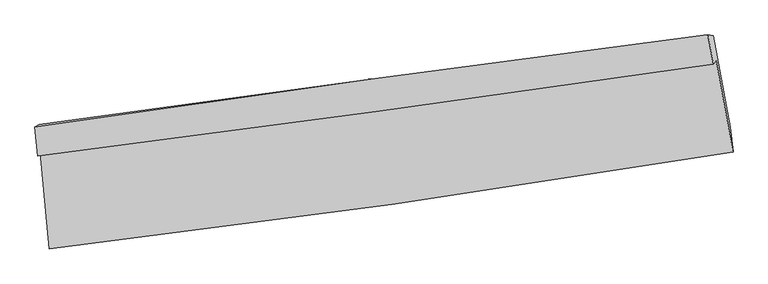
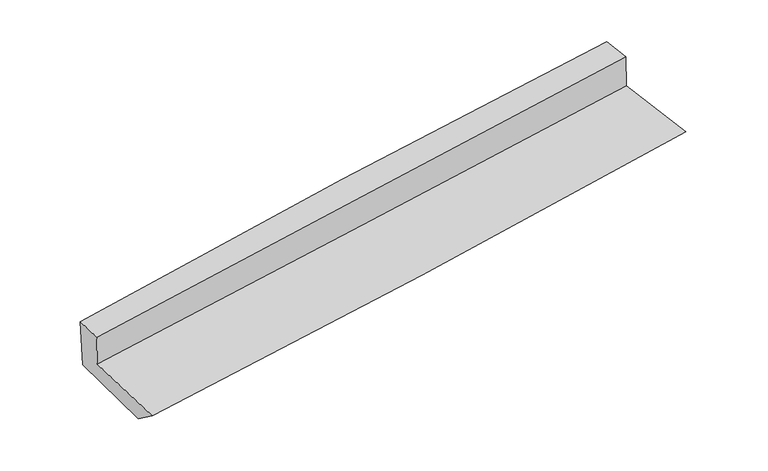
"""IFC4 building model written with IfcOpenShell, lengths in millimetres: proxy geometry."""

from ifc_helpers import new_model, si_unit, frame, origin, place, context, project, spatial, source, transform, mapped, element, save
from ifc_brep_helpers import plane_surface, spline_curve, spline_surface, advanced_brep


def generic_models_6d887c8f(model_context):
    return source(origin(), model_context, "Body", "AdvancedBrep", [
        advanced_brep(
        [(-2266.3267247, -1827.3089201, 1756.454337), (-2206.3222655, -2466.8636407, 1696.6407938), (2333.8265419, -1822.6859569, 2064.3383516), (2221.4175547, -1214.7400312, 2112.4905532), (-2283.744785, -1849.8352509, 2000.1990497), (2202.5826725, -1239.0987015, 2376.0619766), (-2301.5792425, -1658.48917, 2016.6083635), (2166.5887158, -1044.4311766, 2391.4805682), (-2273.1946881, -1641.1267205, 1640.439347), (2201.6539978, -1050.7079993, 2005.2855104), (-2211.2483214, -2288.70608, 1564.9086497), (2315.7027837, -1655.8222174, 1932.7471021)],
        [
            (0, 1),
            (1, 2, spline_curve(3, [(-2206.3222655, -2466.8636407, 1696.6407938), (-1446.943770392, -2378.123849694, 1759.568223129), (-688.638335322, -2280.02729526, 1821.69479283), (824.74152792, -2065.274609219, 1944.258352475), (1579.819028731, -1948.645268609, 2004.697635153), (2333.8265419, -1822.6859569, 2064.3383516)], [4, 2, 4], [0.0, 7.505356396694162, 14.99995987543949])),
            (2, 3),
            (3, 0, spline_curve(3, [(2221.4175547, -1214.7400312, 2112.4905532), (1474.666415298, -1323.61406049, 2057.47020109), (727.58048712, -1429.064344495, 2000.313142221), (-768.333311344, -1633.263805766, 1881.640539167), (-1517.162143022, -1732.00315111, 1820.118859125), (-2266.3267247, -1827.3089201, 1756.454337)], [4, 2, 4], [0.0, 7.494603478745328, 14.99995987543949])),
            (4, 0),
            (3, 5),
            (5, 4, spline_curve(3, [(2202.5826725, -1239.0987015, 2376.0619766), (1455.832325673, -1347.971705384, 2321.030530549), (708.864693757, -1453.269000338, 2262.218063003), (-786.577168268, -1656.858118191, 2136.941278291), (-1535.052022031, -1755.139672922, 2070.46610346), (-2283.744785, -1849.8352509, 2000.1990497)], [4, 2, 4], [0.0, 7.447730909520823, 14.906147486349088])),
            (6, 4),
            (5, 7),
            (7, 6, spline_curve(3, [(2166.5887158, -1044.4311766, 2391.4805682), (1421.07010781, -1138.662702639, 2337.890274688), (676.22990939, -1236.910401251, 2279.881341476), (-813.161358052, -1441.584866123, 2154.936628468), (-1557.710479071, -1548.023165631, 2087.988159956), (-2301.5792425, -1658.48917, 2016.6083635)], [4, 2, 4], [0.0, 7.433279746098022, 14.877224425628107])),
            (8, 6),
            (7, 9),
            (9, 8, spline_curve(3, [(2201.6539978, -1050.7079993, 2005.2855104), (1458.508718954, -1165.473414386, 1944.87320823), (714.300106138, -1272.028301273, 1884.285131675), (-777.313069004, -1468.858118763, 1762.670248501), (-1524.720684933, -1559.109472358, 1701.642937243), (-2273.1946881, -1641.1267205, 1640.439347)], [4, 2, 4], [0.0, 7.42094685505312, 14.852540948864279])),
            (10, 8),
            (9, 11),
            (11, 10, spline_curve(3, [(2315.7027837, -1655.8222174, 1932.7471021), (1563.772284355, -1776.345338359, 1869.339988572), (810.832267171, -1889.314831934, 1807.004432675), (-698.148535449, -2100.297810181, 1684.388538313), (-1454.192220097, -2198.289604104, 1624.11127643), (-2211.2483214, -2288.70608, 1564.9086497)], [4, 2, 4], [0.0, 7.4704761410894065, 14.951670583315313])),
            (1, 10),
            (11, 2),
        ],
        [
            spline_surface(3, 3, [[(-2266.3267247, -1827.3089201, 1756.454337), (-1517.162143054, -1732.003151198, 1820.118859248), (-768.333311325, -1633.263805708, 1881.640539172), (727.580487101, -1429.064344554, 2000.313142216), (1474.666415185, -1323.614060418, 2057.470201007), (2221.4175547, -1214.7400312, 2112.4905532)], [(-2246.325238301, -2040.493826961, 1736.516489274), (-1493.756018802, -1947.376717323, 1799.935313874), (-741.768319347, -1848.851635607, 1861.658623782), (759.967500686, -1641.134432763, 1981.628212295), (1509.717286377, -1531.957796539, 2039.879345718), (2258.887217097, -1417.388673121, 2096.43981932)], [(-2226.323751899, -2253.678733839, 1716.578641526), (-1470.349894549, -2162.750283464, 1779.751768478), (-715.203327303, -2064.439465453, 1841.676708317), (792.354514338, -1853.204520919, 1962.943282299), (1544.768157577, -1740.301532597, 2022.288490468), (2296.356879503, -1620.037314979, 2080.38908548)], [(-2206.3222655, -2466.8636407, 1696.6407938), (-1446.943770298, -2378.123849589, 1759.568223105), (-688.638335325, -2280.027295352, 1821.694792927), (824.741527924, -2065.274609128, 1944.258352378), (1579.819028769, -1948.645268718, 2004.697635179), (2333.8265419, -1822.6859569, 2064.3383516)]], [4, 4], [4, 2, 4], [0.0, 2.1330424430988533], [0.0, 7.505356396694162, 14.99995987543949]),
            spline_surface(3, 3, [[(-2283.744785, -1849.8352509, 2000.1990497), (-1535.052021968, -1755.139672917, 2070.466103492), (-786.577168197, -1656.858118126, 2136.941278226), (708.864693687, -1453.269000403, 2262.218063068), (1455.832325749, -1347.971705456, 2321.030530628), (2202.5826725, -1239.0987015, 2376.0619766)], [(-2277.938764904, -1842.326473945, 1918.950812126), (-1529.088729, -1747.427498989, 1987.01702207), (-780.495882556, -1648.993347298, 2051.841031873), (715.103291508, -1445.200781765, 2174.916422782), (1462.11035555, -1339.85249045, 2233.17708742), (2208.860966556, -1230.97914474, 2288.204835465)], [(-2272.132744796, -1834.817697055, 1837.702574574), (-1523.125436021, -1739.715325126, 1903.567940669), (-774.414596966, -1641.128576535, 1966.740785526), (721.341889279, -1437.132563192, 2087.614782502), (1468.388385384, -1331.733275425, 2145.323644215), (2215.139260644, -1222.85958796, 2200.347694335)], [(-2266.3267247, -1827.3089201, 1756.454337), (-1517.162143054, -1732.003151198, 1820.118859248), (-768.333311325, -1633.263805708, 1881.640539172), (727.580487101, -1429.064344554, 2000.313142216), (1474.666415185, -1323.614060418, 2057.470201007), (2221.4175547, -1214.7400312, 2112.4905532)]], [4, 4], [4, 2, 4], [0.0, 0.85418876411652], [0.0, 7.458416576828265, 14.906147486349088]),
            spline_surface(3, 3, [[(-2301.5792425, -1658.48917, 2016.6083635), (-1557.710479102, -1548.023165611, 2087.988159897), (-813.161358104, -1441.584866243, 2154.936628404), (676.229909441, -1236.910401132, 2279.88134154), (1421.070107851, -1138.662702746, 2337.890274613), (2166.5887158, -1044.4311766, 2391.4805682)], [(-2295.63442333, -1722.271196967, 2011.138592242), (-1550.157660054, -1617.062001379, 2082.147474437), (-804.299961468, -1513.342616865, 2148.938178323), (687.108170857, -1309.029934217, 2273.993582028), (1432.657513807, -1208.432370308, 2332.27035997), (2178.586701357, -1109.320351559, 2386.341037685)], [(-2289.68960417, -1786.053223933, 2005.668820958), (-1542.604841016, -1686.100837148, 2076.306788952), (-795.438564833, -1585.100367504, 2142.939728307), (697.986432272, -1381.149467318, 2268.10582258), (1444.244919792, -1278.202037894, 2326.650445271), (2190.584686943, -1174.209526541, 2381.201507115)], [(-2283.744785, -1849.8352509, 2000.1990497), (-1535.052021968, -1755.139672917, 2070.466103492), (-786.577168197, -1656.858118126, 2136.941278226), (708.864693687, -1453.269000403, 2262.218063068), (1455.832325749, -1347.971705456, 2321.030530628), (2202.5826725, -1239.0987015, 2376.0619766)]], [4, 4], [4, 2, 4], [0.0, 0.7170758058626097], [0.0, 7.443944679530085, 14.877224425628107]),
            spline_surface(3, 3, [[(-2273.1946881, -1641.1267205, 1640.439347), (-1524.720684947, -1559.109472252, 1701.642937329), (-777.313069032, -1468.85811876, 1762.670248564), (714.300106166, -1272.028301276, 1884.285131612), (1458.508718884, -1165.473414355, 1944.873208186), (2201.6539978, -1050.7079993, 2005.2855104)], [(-2282.65620623, -1646.914203687, 1765.829019169), (-1535.717282995, -1555.414036725, 1830.424678188), (-789.262498744, -1459.767034612, 1893.425708527), (701.61004057, -1260.322334586, 2016.150534938), (1446.02918189, -1156.536510475, 2075.878896995), (2189.965570483, -1048.615725056, 2134.017196333)], [(-2292.11772437, -1652.701686813, 1891.218691331), (-1546.713881054, -1551.718601138, 1959.206419039), (-801.211928392, -1450.675950391, 2024.181168441), (688.919975037, -1248.616367822, 2148.015938214), (1433.549644845, -1147.599606626, 2206.884585804), (2178.277143117, -1046.523450844, 2262.748882267)], [(-2301.5792425, -1658.48917, 2016.6083635), (-1557.710479102, -1548.023165611, 2087.988159897), (-813.161358104, -1441.584866243, 2154.936628404), (676.229909441, -1236.910401132, 2279.88134154), (1421.070107851, -1138.662702746, 2337.890274613), (2166.5887158, -1044.4311766, 2391.4805682)]], [4, 4], [4, 2, 4], [0.0, 1.302120092166002], [0.0, 7.431594093811159, 14.852540948864279]),
            spline_surface(3, 3, [[(-2211.2483214, -2288.70608, 1564.9086497), (-1454.192220066, -2198.289604211, 1624.111276501), (-698.148535539, -2100.297810186, 1684.38853823), (810.832267262, -1889.314831929, 1807.004432758), (1563.772284434, -1776.345338358, 1869.339988475), (2315.7027837, -1655.8222174, 1932.7471021)], [(-2231.89711031, -2072.846293511, 1590.085548803), (-1477.70170837, -1985.229560236, 1649.955163447), (-724.536713358, -1889.817913022, 1710.482441675), (778.654880242, -1683.552655023, 1832.76466571), (1528.684429241, -1572.721363677, 1894.517728367), (2277.686521723, -1454.11747802, 1956.926571522)], [(-2252.54589919, -1856.986506989, 1615.262447897), (-1501.211196644, -1772.169516228, 1675.799050383), (-750.924891213, -1679.338015924, 1736.576345119), (746.477493186, -1477.790478183, 1858.524898661), (1493.596574078, -1369.097389037, 1919.695468294), (2239.670259777, -1252.41273868, 1981.106040978)], [(-2273.1946881, -1641.1267205, 1640.439347), (-1524.720684947, -1559.109472252, 1701.642937329), (-777.313069032, -1468.85811876, 1762.670248564), (714.300106166, -1272.028301276, 1884.285131612), (1458.508718884, -1165.473414355, 1944.873208186), (2201.6539978, -1050.7079993, 2005.2855104)]], [4, 4], [4, 2, 4], [0.0, 2.0843202894167745], [0.0, 7.481194442225906, 14.951670583315313]),
            spline_surface(3, 3, [[(-2206.3222655, -2466.8636407, 1696.6407938), (-1446.943770298, -2378.123849589, 1759.568223105), (-688.638335325, -2280.027295352, 1821.694792927), (824.741527924, -2065.274609128, 1944.258352378), (1579.819028769, -1948.645268718, 2004.697635179), (2333.8265419, -1822.6859569, 2064.3383516)], [(-2207.964284126, -2407.47778713, 1652.730079085), (-1449.359920213, -2318.179101126, 1714.415907555), (-691.80840205, -2220.11746697, 1775.926041344), (820.105107717, -2006.621350069, 1898.50704582), (1574.470114007, -1891.211958603, 1959.578419619), (2327.785289183, -1767.064710405, 2020.474601774)], [(-2209.606302774, -2348.09193357, 1608.819364415), (-1451.776070151, -2258.234352674, 1669.26359205), (-694.978468815, -2160.207638567, 1730.157289813), (815.468687469, -1947.968090988, 1852.755739316), (1569.121199196, -1833.778648473, 1914.459204035), (2321.744036417, -1711.443463895, 1976.610851926)], [(-2211.2483214, -2288.70608, 1564.9086497), (-1454.192220066, -2198.289604211, 1624.111276501), (-698.148535539, -2100.297810186, 1684.38853823), (810.832267262, -1889.314831929, 1807.004432758), (1563.772284434, -1776.345338358, 1869.339988475), (2315.7027837, -1655.8222174, 1932.7471021)]], [4, 4], [4, 2, 4], [0.0, 0.7380981925763529], [0.0, 7.540386758544253, 15.069970411169004]),
            plane_surface(frame((2240.2953777, -1337.9143471, 2147.0673437), z_axis=(0.9808688995333871, 0.174533035598941, 0.0862230909488935), x_axis=(-0.09041300462305027, 0.01618428174568926, 0.9957728443874178))),
            plane_surface(frame((-2257.0693379, -1955.388297, 1779.2084235), z_axis=(-0.9931828253693211, -0.08580335255045439, -0.0789028521823853), x_axis=(-0.09300966643070628, 0.9913391774600796, 0.09271373783437707))),
        ],
        [
            (0, [[1, 2, 3, 4]]),
            (1, [[5, -4, 6, 7]]),
            (2, [[8, -7, 9, 10]]),
            (3, [[11, -10, 12, 13]]),
            (4, [[14, -13, 15, 16]]),
            (5, [[17, -16, 18, -2]]),
            (6, [[-12, -9, -6, -3, -18, -15]]),
            (7, [[-1, -5, -8, -11, -14, -17]]),
        ],
    ),
    ])


if __name__ == "__main__":
    model = new_model("IFC4")
    model_context = context("Model", 3, world=origin())
    ifc_project = project(units=[si_unit("LENGTHUNIT", "METRE", prefix="MILLI")], contexts=[model_context])
    site = spatial("IfcSite", under=ifc_project)
    building = spatial("IfcBuilding", under=site)
    placement = place(None, origin())
    generic_models_shape = generic_models_6d887c8f(model_context)
    element("IfcBuildingElementProxy", 1, Name="Generic Models", at=placement, inside=building, context=model_context, shape_type="MappedRepresentation", body=[
        mapped(generic_models_shape, transform((0.0, 0.0, 0.0), x_axis=(1.0, 0.0, 0.0), y_axis=(0.0, 1.0, 0.0), z_axis=(0.0, 0.0, 1.0))),
    ])
    save(model, "model.ifc")
